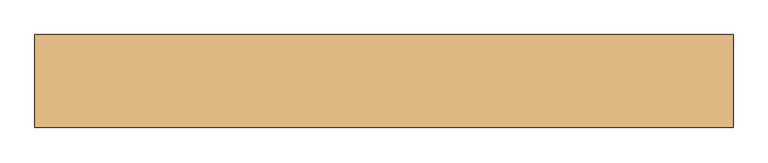
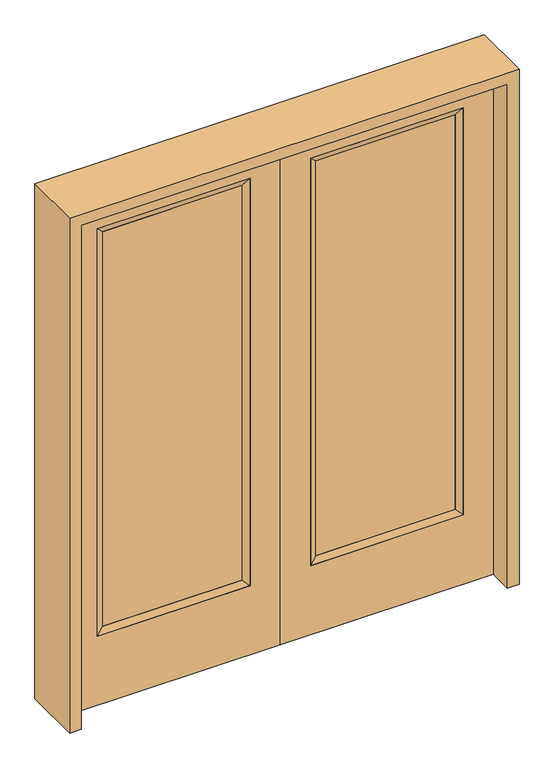
"""IFC4 building model written with IfcOpenShell, lengths in millimetres: door geometry."""

from ifc_helpers import new_model, si_unit, frame, origin, place, context, project, spatial, polyline, outline, extrude, faceted_brep, source, transform, mapped, element, save


def door_739a64c5(model_context):
    return source(origin(), model_context, "Body", "SolidModel", [
        extrude(outline(polyline([(140.8176, -12.7039749), (140.8176, 14.2875), (671.9824, 14.2875), (671.9824, -12.7039749), (140.8176, -12.7039749)])), frame((0.0, 0.0, 304.8), z_axis=(0.0, 0.0, 1.0), x_axis=(1.0, 0.0, 0.0)), (0.0, 0.0, 1.0), 1591.1576),
        faceted_brep([(140.8176, 14.2875, 1895.9576), (140.8176, 14.2875, 304.8), (115.4176, 22.225, 279.4), (115.4176, 22.225, 1921.3576), (115.4176, -22.225, 279.4), (115.4176, -22.225, 1921.3576), (671.9824, 14.2875, 304.8), (697.3824, 22.225, 279.4), (140.8176, -12.7039749, 1895.9576), (140.8176, -12.7039749, 304.8), (671.9824, -12.7039749, 304.8), (697.3824, -22.225, 279.4), (671.9824, 14.2875, 1895.9576), (697.3824, 22.225, 1921.3576), (671.9824, -12.7039749, 1895.9576), (697.3824, -22.225, 1921.3576)], [[[0, 1, 2, 3]], [[3, 2, 4, 5]], [[1, 6, 7, 2]], [[8, 9, 1, 0]], [[9, 10, 6, 1]], [[5, 4, 9, 8]], [[4, 11, 10, 9]], [[2, 7, 11, 4]], [[6, 12, 13, 7]], [[10, 14, 12, 6]], [[11, 15, 14, 10]], [[7, 13, 15, 11]], [[12, 0, 3, 13]], [[14, 8, 0, 12]], [[15, 5, 8, 14]], [[13, 3, 5, 15]]]),
        extrude(outline(polyline([(0.0, 812.8), (2032.0, 812.8), (2032.0, 0.0), (0.0, 0.0), (0.0, 812.8)]), holes=[polyline([(279.4, 697.3824), (279.4, 115.4176), (1921.3576, 115.4176), (1921.3576, 697.3824), (279.4, 697.3824)])]), frame((0.0, -22.225, 0.0), z_axis=(0.0, 1.0, 0.0), x_axis=(0.0, 0.0, 1.0)), (0.0, 0.0, 1.0), 44.45),
        extrude(outline(polyline([(-140.8176, -12.7039749), (-671.9824, -12.7039749), (-671.9824, 14.2875), (-140.8176, 14.2875), (-140.8176, -12.7039749)])), frame((0.0, 0.0, 304.8), z_axis=(0.0, 0.0, 1.0), x_axis=(1.0, 0.0, 0.0)), (0.0, 0.0, 1.0), 1591.1576),
        faceted_brep([(-140.8176, 14.2875, 1895.9576), (-115.4176, 22.225, 1921.3576), (-115.4176, 22.225, 279.4), (-140.8176, 14.2875, 304.8), (-115.4176, -22.225, 1921.3576), (-115.4176, -22.225, 279.4), (-697.3824, 22.225, 279.4), (-671.9824, 14.2875, 304.8), (-140.8176, -12.7039749, 1895.9576), (-140.8176, -12.7039749, 304.8), (-671.9824, -12.7039749, 304.8), (-697.3824, -22.225, 279.4), (-697.3824, 22.225, 1921.3576), (-671.9824, 14.2875, 1895.9576), (-671.9824, -12.7039749, 1895.9576), (-697.3824, -22.225, 1921.3576)], [[[0, 1, 2, 3]], [[1, 4, 5, 2]], [[3, 2, 6, 7]], [[8, 0, 3, 9]], [[9, 3, 7, 10]], [[4, 8, 9, 5]], [[5, 9, 10, 11]], [[2, 5, 11, 6]], [[7, 6, 12, 13]], [[10, 7, 13, 14]], [[11, 10, 14, 15]], [[6, 11, 15, 12]], [[13, 12, 1, 0]], [[14, 13, 0, 8]], [[15, 14, 8, 4]], [[12, 15, 4, 1]]]),
        extrude(outline(polyline([(0.0, -812.8), (0.0, 0.0), (2032.0, 0.0), (2032.0, -812.8), (0.0, -812.8)]), holes=[polyline([(279.4, -697.3824), (1921.3576, -697.3824), (1921.3576, -115.4176), (279.4, -115.4176), (279.4, -697.3824)])]), frame((0.0, -22.225, 0.0), z_axis=(0.0, 1.0, 0.0), x_axis=(0.0, 0.0, 1.0)), (0.0, 0.0, 1.0), 44.45),
        extrude(outline(polyline([(0.0, -857.25), (0.0, -812.8), (2032.0, -812.8), (2032.0, 812.8), (0.0, 812.8), (0.0, 857.25), (2076.45, 857.25), (2076.45, -857.25), (0.0, -857.25)])), frame((0.0, -114.3, 0.0), z_axis=(0.0, 1.0, 0.0), x_axis=(0.0, 0.0, 1.0)), (0.0, 0.0, 1.0), 228.6),
    ])


if __name__ == "__main__":
    model = new_model("IFC4")
    model_context = context("Model", 3, world=origin())
    ifc_project = project(units=[si_unit("LENGTHUNIT", "METRE", prefix="MILLI")], contexts=[model_context])
    site = spatial("IfcSite", under=ifc_project)
    building = spatial("IfcBuilding", under=site)
    placement = place(None, origin())
    door_shape = door_739a64c5(model_context)
    element("IfcDoor", 1, at=placement, inside=building, context=model_context, shape_type="MappedRepresentation", body=[
        mapped(door_shape, transform((0.0, 0.0, 0.0), x_axis=(1.0, 0.0, 0.0), y_axis=(0.0, 1.0, 0.0), z_axis=(0.0, 0.0, 1.0))),
    ])
    save(model, "model.ifc")
